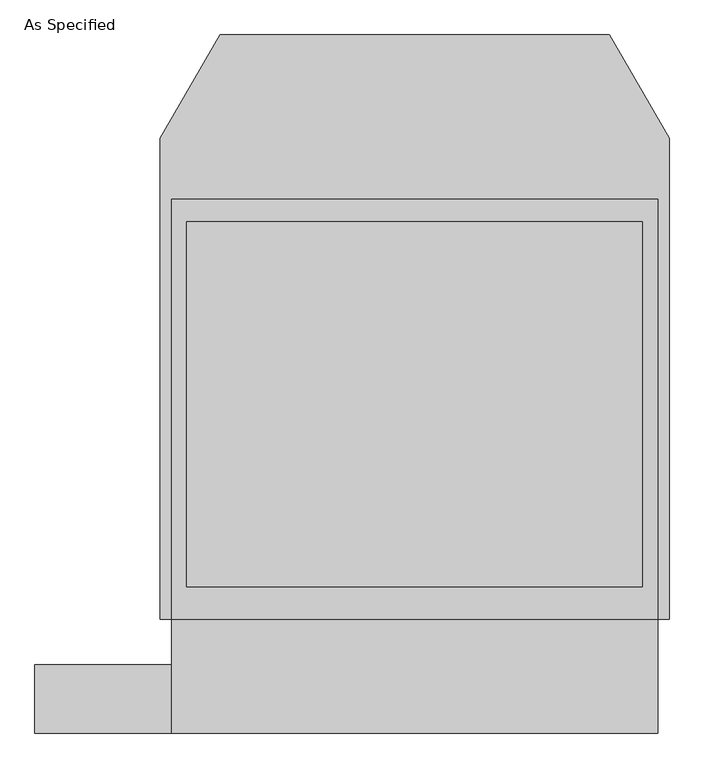
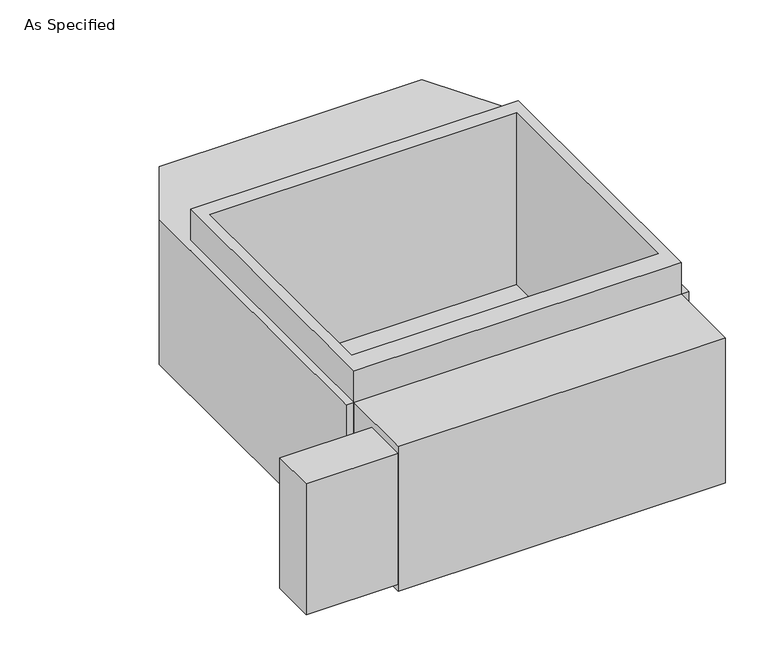
"""IFC4 building model written with IfcOpenShell, lengths in millimetres: proxy geometry, As Specified."""

from ifc_helpers import new_model, si_unit, frame, origin, place, context, project, spatial, polyline, outline, extrude, faceted_brep, source, transform, mapped, element, save


def as_specified_f6d3300c(model_context):
    return source(origin(), model_context, "Body", "SolidModel", [
        extrude(outline(polyline([(-812.8, -1166.5148438), (-1270.0, -1166.5148438), (-1270.0, -937.9148438), (-812.8, -937.9148438), (-812.8, -1166.5148438)])), frame((0.0, 0.0, -749.3), z_axis=(0.0, 0.0, 1.0), x_axis=(1.0, 0.0, 0.0)), (0.0, 0.0, 1.0), 685.8),
        extrude(outline(polyline([(812.8, 617.8351562), (812.8, -785.5148438), (-812.8, -785.5148438), (-812.8, 617.8351562), (812.8, 617.8351562)]), holes=[polyline([(-762.0, 541.6748437), (-762.0, -677.5251563), (762.0, -677.5251563), (762.0, 541.6748437), (-762.0, 541.6748437)])]), frame((0.0, 0.0, -762.0), z_axis=(0.0, 0.0, 1.0), x_axis=(1.0, 0.0, 0.0)), (0.0, 0.0, 1.0), 901.7),
        faceted_brep([(812.8, -1166.5148438, -787.4), (-812.8, -1166.5148438, -787.4), (-812.8, -785.5148438, -787.4), (-850.9, -785.5148438, -787.4), (-850.9, 821.0748437, -787.4), (-651.460123, 1166.5148437, -787.4), (651.460123, 1166.5148437, -787.4), (850.9, 821.0748437, -787.4), (850.9, -785.5148438, -787.4), (812.8, -785.5148438, -787.4), (812.8, -1166.5148438, -25.4), (812.8, -785.5148438, -25.4), (850.9, -785.5148438, -25.4), (850.9, 821.0748437, -25.4), (651.460123, 1166.5148437, -25.4), (-651.460123, 1166.5148437, -25.4), (-850.9, 821.0748437, -25.4), (-850.9, -785.5148438, -25.4), (-812.8, -785.5148438, -25.4), (-812.8, -1166.5148438, -25.4), (762.0, 541.6748437, -25.4), (762.0, -677.5251563, -25.4), (-762.0, -677.5251563, -25.4), (-762.0, 541.6748437, -25.4), (762.0, 541.6748437, -762.0), (-762.0, 541.6748437, -762.0), (-762.0, -677.5251563, -762.0), (762.0, -677.5251563, -762.0)], [[[0, 1, 2, 3, 4, 5, 6, 7, 8, 9]], [[10, 11, 12, 13, 14, 15, 16, 17, 18, 19], [20, 21, 22, 23]], [[6, 5, 15, 14]], [[3, 17, 16, 4]], [[17, 3, 2, 18]], [[8, 12, 11, 9]], [[12, 8, 7, 13]], [[0, 9, 11, 10]], [[2, 1, 19, 18]], [[1, 0, 10, 19]], [[5, 4, 16, 15]], [[7, 6, 14, 13]], [[24, 25, 26, 27]], [[24, 27, 21, 20]], [[27, 26, 22, 21]], [[26, 25, 23, 22]], [[25, 24, 20, 23]]]),
    ])


if __name__ == "__main__":
    model = new_model("IFC4")
    model_context = context("Model", 3, world=origin())
    ifc_project = project(units=[si_unit("LENGTHUNIT", "METRE", prefix="MILLI")], contexts=[model_context])
    site = spatial("IfcSite", under=ifc_project)
    building = spatial("IfcBuilding", under=site)
    placement = place(None, origin())
    as_specified_shape = as_specified_f6d3300c(model_context)
    element("IfcBuildingElementProxy", 1, Name="As Specified", ObjectType="As Specified", at=placement, inside=building, context=model_context, shape_type="MappedRepresentation", body=[
        mapped(as_specified_shape, transform((0.0, 0.0, 0.0), x_axis=(1.0, 0.0, 0.0), y_axis=(0.0, 1.0, 0.0), z_axis=(0.0, 0.0, 1.0))),
    ])
    save(model, "model.ifc")
